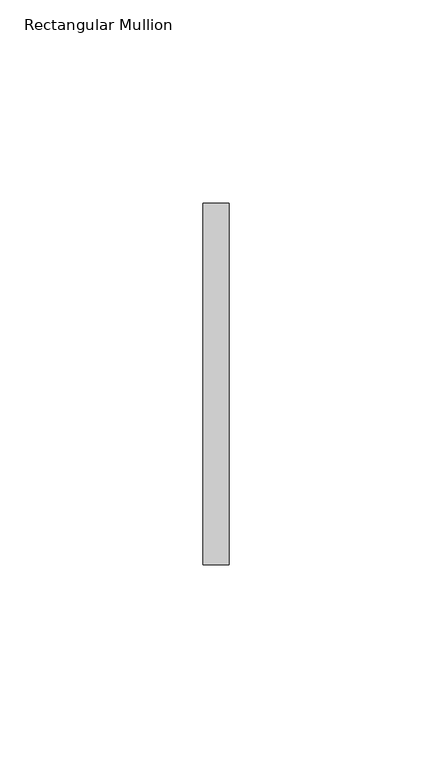
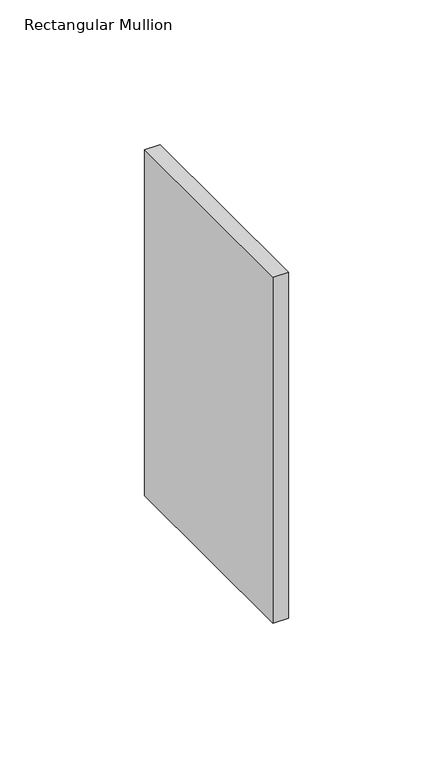
"""IFC4 building model written with IfcOpenShell, lengths in millimetres: member geometry, Rectangular Mullion."""

from ifc_helpers import new_model, si_unit, frame, origin, place, context, project, spatial, polyline, outline, extrude, source, transform, mapped, element, save


def rectangular_mullion_e8e737a7(model_context):
    return source(origin(), model_context, "Body", "SweptSolid", [
        extrude(outline(polyline([(0.0, 44.45), (0.0, -44.45), (-6.35, -44.45), (-6.35, 44.45), (0.0, 44.45)])), frame((0.0, 0.0, -146.1165918), z_axis=(0.0, 0.0, 1.0), x_axis=(1.0, 0.0, 0.0)), (0.0, 0.0, 1.0), 146.1165918),
    ])


if __name__ == "__main__":
    model = new_model("IFC4")
    model_context = context("Model", 3, world=origin())
    ifc_project = project(units=[si_unit("LENGTHUNIT", "METRE", prefix="MILLI")], contexts=[model_context])
    site = spatial("IfcSite", under=ifc_project)
    building = spatial("IfcBuilding", under=site)
    placement = place(None, origin())
    rectangular_mullion_shape = rectangular_mullion_e8e737a7(model_context)
    element("IfcMember", 1, ObjectType="Rectangular Mullion", at=placement, inside=building, context=model_context, shape_type="MappedRepresentation", body=[
        mapped(rectangular_mullion_shape, transform((0.0, 0.0, 0.0), x_axis=(1.0, 0.0, 0.0), y_axis=(0.0, 1.0, 0.0), z_axis=(0.0, 0.0, 1.0))),
    ])
    save(model, "model.ifc")
